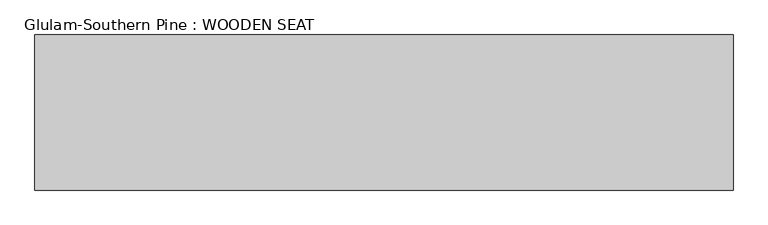
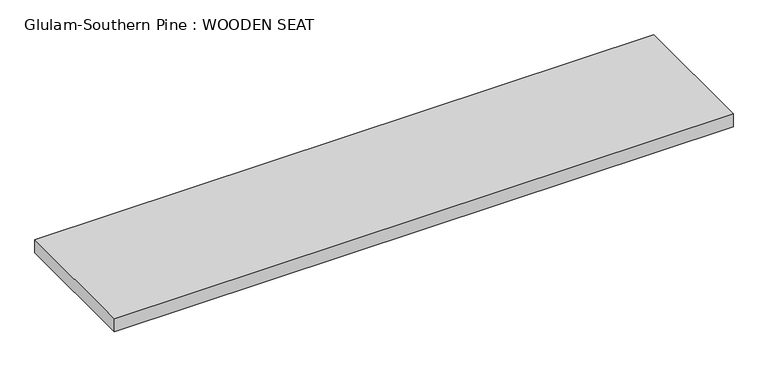
"""IFC4 building model written with IfcOpenShell, lengths in millimetres: beam geometry, Glulam-Southern Pine : WOODEN SEAT."""

from ifc_helpers import new_model, si_unit, frame, origin, place, context, project, spatial, polyline, outline, extrude, source, transform, mapped, element, save


def glulam_southern_pine_wooden_seat_38f782ce(model_context):
    return source(origin(), model_context, "Body", "SweptSolid", [
        extrude(outline(polyline([(1350.0, 300.0), (1350.0, -300.0), (-1350.0, -300.0), (-1350.0, 300.0), (1350.0, 300.0)])), frame((0.0, 0.0, -30.0), z_axis=(0.0, 0.0, 1.0), x_axis=(1.0, 0.0, 0.0)), (0.0, 0.0, 1.0), 60.0),
    ])


if __name__ == "__main__":
    model = new_model("IFC4")
    model_context = context("Model", 3, world=origin())
    ifc_project = project(units=[si_unit("LENGTHUNIT", "METRE", prefix="MILLI")], contexts=[model_context])
    site = spatial("IfcSite", under=ifc_project)
    building = spatial("IfcBuilding", under=site)
    placement = place(None, origin())
    glulam_southern_pine_wooden_seat_shape = glulam_southern_pine_wooden_seat_38f782ce(model_context)
    element("IfcBeam", 1, ObjectType="Glulam-Southern Pine : WOODEN SEAT", at=placement, inside=building, context=model_context, shape_type="MappedRepresentation", body=[
        mapped(glulam_southern_pine_wooden_seat_shape, transform((0.0, 0.0, 0.0), x_axis=(1.0, 0.0, 0.0), y_axis=(0.0, 1.0, 0.0), z_axis=(0.0, 0.0, 1.0))),
    ])
    save(model, "model.ifc")
